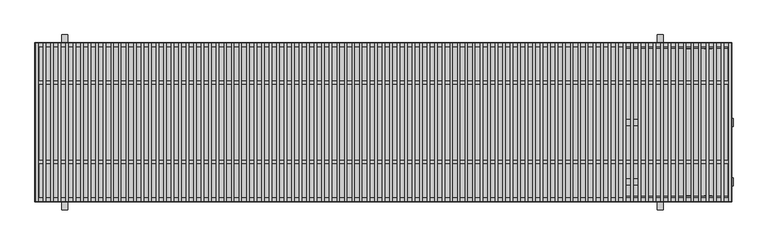
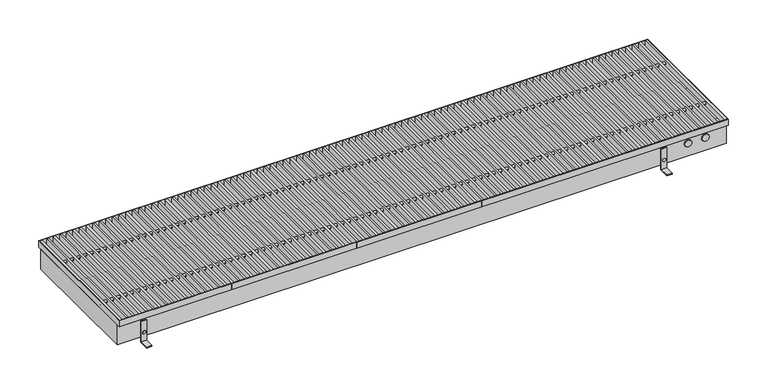
"""IFC4 building model written with IfcOpenShell, lengths in millimetres: proxy geometry."""

from ifc_helpers import new_model, si_unit, point, frame, frame_2d, origin, place, context, project, spatial, polyline, circle_curve, trimmed, segment, composite_curve, outline, extrude, faceted_brep, source, transform, mapped, element, save
from ifc_brep_helpers import plane_surface, revolved_surface, advanced_brep


def mechanical_equipment_ff3fa19a(model_context):
    return source(origin(), model_context, "Body", "SolidModel", [
        extrude(outline(polyline([(1723.0869565, 198.5), (1729.0869565, 198.5), (1729.0869565, -198.5), (1723.0869565, -198.5), (1723.0869565, 198.5)])), frame((0.0, 0.0, 77.0), z_axis=(0.0, 0.0, 1.0), x_axis=(1.0, 0.0, 0.0)), (0.0, 0.0, 1.0), 18.0),
        extrude(outline(polyline([(1704.173913, 198.5), (1710.173913, 198.5), (1710.173913, -198.5), (1704.173913, -198.5), (1704.173913, 198.5)])), frame((0.0, 0.0, 77.0), z_axis=(0.0, 0.0, 1.0), x_axis=(1.0, 0.0, 0.0)), (0.0, 0.0, 1.0), 18.0),
        extrude(outline(polyline([(1685.2608696, 198.5), (1691.2608696, 198.5), (1691.2608696, -198.5), (1685.2608696, -198.5), (1685.2608696, 198.5)])), frame((0.0, 0.0, 77.0), z_axis=(0.0, 0.0, 1.0), x_axis=(1.0, 0.0, 0.0)), (0.0, 0.0, 1.0), 18.0),
        extrude(outline(polyline([(1666.3478261, 198.5), (1672.3478261, 198.5), (1672.3478261, -198.5), (1666.3478261, -198.5), (1666.3478261, 198.5)])), frame((0.0, 0.0, 77.0), z_axis=(0.0, 0.0, 1.0), x_axis=(1.0, 0.0, 0.0)), (0.0, 0.0, 1.0), 18.0),
        extrude(outline(polyline([(1647.4347826, 198.5), (1653.4347826, 198.5), (1653.4347826, -198.5), (1647.4347826, -198.5), (1647.4347826, 198.5)])), frame((0.0, 0.0, 77.0), z_axis=(0.0, 0.0, 1.0), x_axis=(1.0, 0.0, 0.0)), (0.0, 0.0, 1.0), 18.0),
        extrude(outline(polyline([(1628.5217391, 198.5), (1634.5217391, 198.5), (1634.5217391, -198.5), (1628.5217391, -198.5), (1628.5217391, 198.5)])), frame((0.0, 0.0, 77.0), z_axis=(0.0, 0.0, 1.0), x_axis=(1.0, 0.0, 0.0)), (0.0, 0.0, 1.0), 18.0),
        extrude(outline(polyline([(1609.6086957, 198.5), (1615.6086957, 198.5), (1615.6086957, -198.5), (1609.6086957, -198.5), (1609.6086957, 198.5)])), frame((0.0, 0.0, 77.0), z_axis=(0.0, 0.0, 1.0), x_axis=(1.0, 0.0, 0.0)), (0.0, 0.0, 1.0), 18.0),
        extrude(outline(polyline([(1590.6956522, 198.5), (1596.6956522, 198.5), (1596.6956522, -198.5), (1590.6956522, -198.5), (1590.6956522, 198.5)])), frame((0.0, 0.0, 77.0), z_axis=(0.0, 0.0, 1.0), x_axis=(1.0, 0.0, 0.0)), (0.0, 0.0, 1.0), 18.0),
        extrude(outline(polyline([(1571.7826087, 198.5), (1577.7826087, 198.5), (1577.7826087, -198.5), (1571.7826087, -198.5), (1571.7826087, 198.5)])), frame((0.0, 0.0, 77.0), z_axis=(0.0, 0.0, 1.0), x_axis=(1.0, 0.0, 0.0)), (0.0, 0.0, 1.0), 18.0),
        extrude(outline(polyline([(1552.8695652, 198.5), (1558.8695652, 198.5), (1558.8695652, -198.5), (1552.8695652, -198.5), (1552.8695652, 198.5)])), frame((0.0, 0.0, 77.0), z_axis=(0.0, 0.0, 1.0), x_axis=(1.0, 0.0, 0.0)), (0.0, 0.0, 1.0), 18.0),
        extrude(outline(polyline([(1533.9565217, 198.5), (1539.9565217, 198.5), (1539.9565217, -198.5), (1533.9565217, -198.5), (1533.9565217, 198.5)])), frame((0.0, 0.0, 77.0), z_axis=(0.0, 0.0, 1.0), x_axis=(1.0, 0.0, 0.0)), (0.0, 0.0, 1.0), 18.0),
        extrude(outline(polyline([(1515.0434783, 198.5), (1521.0434783, 198.5), (1521.0434783, -198.5), (1515.0434783, -198.5), (1515.0434783, 198.5)])), frame((0.0, 0.0, 77.0), z_axis=(0.0, 0.0, 1.0), x_axis=(1.0, 0.0, 0.0)), (0.0, 0.0, 1.0), 18.0),
        extrude(outline(polyline([(1496.1304348, 198.5), (1502.1304348, 198.5), (1502.1304348, -198.5), (1496.1304348, -198.5), (1496.1304348, 198.5)])), frame((0.0, 0.0, 77.0), z_axis=(0.0, 0.0, 1.0), x_axis=(1.0, 0.0, 0.0)), (0.0, 0.0, 1.0), 18.0),
        extrude(outline(polyline([(1477.2173913, 198.5), (1483.2173913, 198.5), (1483.2173913, -198.5), (1477.2173913, -198.5), (1477.2173913, 198.5)])), frame((0.0, 0.0, 77.0), z_axis=(0.0, 0.0, 1.0), x_axis=(1.0, 0.0, 0.0)), (0.0, 0.0, 1.0), 18.0),
        extrude(outline(composite_curve([segment(trimmed(circle_curve(frame_2d((100.0, 86.0)), 4.0), [point((104.0, 86.0))], [point((96.0, 86.0))], False, "CARTESIAN"), True, "CONTINUOUS"), segment(trimmed(circle_curve(frame_2d((100.0, 86.0)), 4.0), [point((96.0, 86.0))], [point((104.0, 86.0))], False, "CARTESIAN"), True, "CONTINUOUS")], self_intersect=False)), frame((1.5, 0.0, 0.0), z_axis=(1.0, 0.0, 0.0), x_axis=(0.0, 1.0, 0.0)), (0.0, 0.0, 1.0), 1747.0),
        extrude(outline(composite_curve([segment(trimmed(circle_curve(frame_2d((-100.0, 86.0)), 4.0), [point((-96.0, 86.0))], [point((-104.0, 86.0))], False, "CARTESIAN"), True, "CONTINUOUS"), segment(trimmed(circle_curve(frame_2d((-100.0, 86.0)), 4.0), [point((-104.0, 86.0))], [point((-96.0, 86.0))], False, "CARTESIAN"), True, "CONTINUOUS")], self_intersect=False)), frame((1.5, 0.0, 0.0), z_axis=(1.0, 0.0, 0.0), x_axis=(0.0, 1.0, 0.0)), (0.0, 0.0, 1.0), 1747.0),
        extrude(outline(polyline([(1458.3043478, 198.5), (1464.3043478, 198.5), (1464.3043478, -198.5), (1458.3043478, -198.5), (1458.3043478, 198.5)])), frame((0.0, 0.0, 77.0), z_axis=(0.0, 0.0, 1.0), x_axis=(1.0, 0.0, 0.0)), (0.0, 0.0, 1.0), 18.0),
        extrude(outline(polyline([(1439.3913043, 198.5), (1445.3913043, 198.5), (1445.3913043, -198.5), (1439.3913043, -198.5), (1439.3913043, 198.5)])), frame((0.0, 0.0, 77.0), z_axis=(0.0, 0.0, 1.0), x_axis=(1.0, 0.0, 0.0)), (0.0, 0.0, 1.0), 18.0),
        extrude(outline(polyline([(1420.4782609, 198.5), (1426.4782609, 198.5), (1426.4782609, -198.5), (1420.4782609, -198.5), (1420.4782609, 198.5)])), frame((0.0, 0.0, 77.0), z_axis=(0.0, 0.0, 1.0), x_axis=(1.0, 0.0, 0.0)), (0.0, 0.0, 1.0), 18.0),
        extrude(outline(polyline([(1401.5652174, 198.5), (1407.5652174, 198.5), (1407.5652174, -198.5), (1401.5652174, -198.5), (1401.5652174, 198.5)])), frame((0.0, 0.0, 77.0), z_axis=(0.0, 0.0, 1.0), x_axis=(1.0, 0.0, 0.0)), (0.0, 0.0, 1.0), 18.0),
        extrude(outline(polyline([(1382.6521739, 198.5), (1388.6521739, 198.5), (1388.6521739, -198.5), (1382.6521739, -198.5), (1382.6521739, 198.5)])), frame((0.0, 0.0, 77.0), z_axis=(0.0, 0.0, 1.0), x_axis=(1.0, 0.0, 0.0)), (0.0, 0.0, 1.0), 18.0),
        extrude(outline(polyline([(1363.7391304, 198.5), (1369.7391304, 198.5), (1369.7391304, -198.5), (1363.7391304, -198.5), (1363.7391304, 198.5)])), frame((0.0, 0.0, 77.0), z_axis=(0.0, 0.0, 1.0), x_axis=(1.0, 0.0, 0.0)), (0.0, 0.0, 1.0), 18.0),
        extrude(outline(polyline([(1344.826087, 198.5), (1350.826087, 198.5), (1350.826087, -198.5), (1344.826087, -198.5), (1344.826087, 198.5)])), frame((0.0, 0.0, 77.0), z_axis=(0.0, 0.0, 1.0), x_axis=(1.0, 0.0, 0.0)), (0.0, 0.0, 1.0), 18.0),
        extrude(outline(polyline([(1325.9130435, 198.5), (1331.9130435, 198.5), (1331.9130435, -198.5), (1325.9130435, -198.5), (1325.9130435, 198.5)])), frame((0.0, 0.0, 77.0), z_axis=(0.0, 0.0, 1.0), x_axis=(1.0, 0.0, 0.0)), (0.0, 0.0, 1.0), 18.0),
        extrude(outline(polyline([(1307.0, 198.5), (1313.0, 198.5), (1313.0, -198.5), (1307.0, -198.5), (1307.0, 198.5)])), frame((0.0, 0.0, 77.0), z_axis=(0.0, 0.0, 1.0), x_axis=(1.0, 0.0, 0.0)), (0.0, 0.0, 1.0), 18.0),
        extrude(outline(polyline([(1288.0869565, 198.5), (1294.0869565, 198.5), (1294.0869565, -198.5), (1288.0869565, -198.5), (1288.0869565, 198.5)])), frame((0.0, 0.0, 77.0), z_axis=(0.0, 0.0, 1.0), x_axis=(1.0, 0.0, 0.0)), (0.0, 0.0, 1.0), 18.0),
        extrude(outline(polyline([(1269.173913, 198.5), (1275.173913, 198.5), (1275.173913, -198.5), (1269.173913, -198.5), (1269.173913, 198.5)])), frame((0.0, 0.0, 77.0), z_axis=(0.0, 0.0, 1.0), x_axis=(1.0, 0.0, 0.0)), (0.0, 0.0, 1.0), 18.0),
        extrude(outline(polyline([(1250.2608696, 198.5), (1256.2608696, 198.5), (1256.2608696, -198.5), (1250.2608696, -198.5), (1250.2608696, 198.5)])), frame((0.0, 0.0, 77.0), z_axis=(0.0, 0.0, 1.0), x_axis=(1.0, 0.0, 0.0)), (0.0, 0.0, 1.0), 18.0),
        extrude(outline(polyline([(1231.3478261, 198.5), (1237.3478261, 198.5), (1237.3478261, -198.5), (1231.3478261, -198.5), (1231.3478261, 198.5)])), frame((0.0, 0.0, 77.0), z_axis=(0.0, 0.0, 1.0), x_axis=(1.0, 0.0, 0.0)), (0.0, 0.0, 1.0), 18.0),
        extrude(outline(polyline([(1212.4347826, 198.5), (1218.4347826, 198.5), (1218.4347826, -198.5), (1212.4347826, -198.5), (1212.4347826, 198.5)])), frame((0.0, 0.0, 77.0), z_axis=(0.0, 0.0, 1.0), x_axis=(1.0, 0.0, 0.0)), (0.0, 0.0, 1.0), 18.0),
        extrude(outline(polyline([(1193.5217391, 198.5), (1199.5217391, 198.5), (1199.5217391, -198.5), (1193.5217391, -198.5), (1193.5217391, 198.5)])), frame((0.0, 0.0, 77.0), z_axis=(0.0, 0.0, 1.0), x_axis=(1.0, 0.0, 0.0)), (0.0, 0.0, 1.0), 18.0),
        extrude(outline(polyline([(1174.6086957, 198.5), (1180.6086957, 198.5), (1180.6086957, -198.5), (1174.6086957, -198.5), (1174.6086957, 198.5)])), frame((0.0, 0.0, 77.0), z_axis=(0.0, 0.0, 1.0), x_axis=(1.0, 0.0, 0.0)), (0.0, 0.0, 1.0), 18.0),
        extrude(outline(polyline([(1155.6956522, 198.5), (1161.6956522, 198.5), (1161.6956522, -198.5), (1155.6956522, -198.5), (1155.6956522, 198.5)])), frame((0.0, 0.0, 77.0), z_axis=(0.0, 0.0, 1.0), x_axis=(1.0, 0.0, 0.0)), (0.0, 0.0, 1.0), 18.0),
        extrude(outline(polyline([(1136.7826087, 198.5), (1142.7826087, 198.5), (1142.7826087, -198.5), (1136.7826087, -198.5), (1136.7826087, 198.5)])), frame((0.0, 0.0, 77.0), z_axis=(0.0, 0.0, 1.0), x_axis=(1.0, 0.0, 0.0)), (0.0, 0.0, 1.0), 18.0),
        extrude(outline(polyline([(1117.8695652, 198.5), (1123.8695652, 198.5), (1123.8695652, -198.5), (1117.8695652, -198.5), (1117.8695652, 198.5)])), frame((0.0, 0.0, 77.0), z_axis=(0.0, 0.0, 1.0), x_axis=(1.0, 0.0, 0.0)), (0.0, 0.0, 1.0), 18.0),
        extrude(outline(polyline([(1098.9565217, 198.5), (1104.9565217, 198.5), (1104.9565217, -198.5), (1098.9565217, -198.5), (1098.9565217, 198.5)])), frame((0.0, 0.0, 77.0), z_axis=(0.0, 0.0, 1.0), x_axis=(1.0, 0.0, 0.0)), (0.0, 0.0, 1.0), 18.0),
        extrude(outline(polyline([(1080.0434783, 198.5), (1086.0434783, 198.5), (1086.0434783, -198.5), (1080.0434783, -198.5), (1080.0434783, 198.5)])), frame((0.0, 0.0, 77.0), z_axis=(0.0, 0.0, 1.0), x_axis=(1.0, 0.0, 0.0)), (0.0, 0.0, 1.0), 18.0),
        extrude(outline(polyline([(1061.1304348, 198.5), (1067.1304348, 198.5), (1067.1304348, -198.5), (1061.1304348, -198.5), (1061.1304348, 198.5)])), frame((0.0, 0.0, 77.0), z_axis=(0.0, 0.0, 1.0), x_axis=(1.0, 0.0, 0.0)), (0.0, 0.0, 1.0), 18.0),
        extrude(outline(polyline([(1042.2173913, 198.5), (1048.2173913, 198.5), (1048.2173913, -198.5), (1042.2173913, -198.5), (1042.2173913, 198.5)])), frame((0.0, 0.0, 77.0), z_axis=(0.0, 0.0, 1.0), x_axis=(1.0, 0.0, 0.0)), (0.0, 0.0, 1.0), 18.0),
        extrude(outline(polyline([(1023.3043478, 198.5), (1029.3043478, 198.5), (1029.3043478, -198.5), (1023.3043478, -198.5), (1023.3043478, 198.5)])), frame((0.0, 0.0, 77.0), z_axis=(0.0, 0.0, 1.0), x_axis=(1.0, 0.0, 0.0)), (0.0, 0.0, 1.0), 18.0),
        extrude(outline(polyline([(1004.3913043, 198.5), (1010.3913043, 198.5), (1010.3913043, -198.5), (1004.3913043, -198.5), (1004.3913043, 198.5)])), frame((0.0, 0.0, 77.0), z_axis=(0.0, 0.0, 1.0), x_axis=(1.0, 0.0, 0.0)), (0.0, 0.0, 1.0), 18.0),
        extrude(outline(polyline([(985.4782609, 198.5), (991.4782609, 198.5), (991.4782609, -198.5), (985.4782609, -198.5), (985.4782609, 198.5)])), frame((0.0, 0.0, 77.0), z_axis=(0.0, 0.0, 1.0), x_axis=(1.0, 0.0, 0.0)), (0.0, 0.0, 1.0), 18.0),
        extrude(outline(polyline([(966.5652174, 198.5), (972.5652174, 198.5), (972.5652174, -198.5), (966.5652174, -198.5), (966.5652174, 198.5)])), frame((0.0, 0.0, 77.0), z_axis=(0.0, 0.0, 1.0), x_axis=(1.0, 0.0, 0.0)), (0.0, 0.0, 1.0), 18.0),
        extrude(outline(polyline([(947.6521739, 198.5), (953.6521739, 198.5), (953.6521739, -198.5), (947.6521739, -198.5), (947.6521739, 198.5)])), frame((0.0, 0.0, 77.0), z_axis=(0.0, 0.0, 1.0), x_axis=(1.0, 0.0, 0.0)), (0.0, 0.0, 1.0), 18.0),
        extrude(outline(polyline([(928.7391304, 198.5), (934.7391304, 198.5), (934.7391304, -198.5), (928.7391304, -198.5), (928.7391304, 198.5)])), frame((0.0, 0.0, 77.0), z_axis=(0.0, 0.0, 1.0), x_axis=(1.0, 0.0, 0.0)), (0.0, 0.0, 1.0), 18.0),
        extrude(outline(polyline([(909.826087, 198.5), (915.826087, 198.5), (915.826087, -198.5), (909.826087, -198.5), (909.826087, 198.5)])), frame((0.0, 0.0, 77.0), z_axis=(0.0, 0.0, 1.0), x_axis=(1.0, 0.0, 0.0)), (0.0, 0.0, 1.0), 18.0),
        extrude(outline(polyline([(890.9130435, 198.5), (896.9130435, 198.5), (896.9130435, -198.5), (890.9130435, -198.5), (890.9130435, 198.5)])), frame((0.0, 0.0, 77.0), z_axis=(0.0, 0.0, 1.0), x_axis=(1.0, 0.0, 0.0)), (0.0, 0.0, 1.0), 18.0),
        extrude(outline(polyline([(872.0, 198.5), (878.0, 198.5), (878.0, -198.5), (872.0, -198.5), (872.0, 198.5)])), frame((0.0, 0.0, 77.0), z_axis=(0.0, 0.0, 1.0), x_axis=(1.0, 0.0, 0.0)), (0.0, 0.0, 1.0), 18.0),
        extrude(outline(polyline([(853.0869565, 198.5), (859.0869565, 198.5), (859.0869565, -198.5), (853.0869565, -198.5), (853.0869565, 198.5)])), frame((0.0, 0.0, 77.0), z_axis=(0.0, 0.0, 1.0), x_axis=(1.0, 0.0, 0.0)), (0.0, 0.0, 1.0), 18.0),
        extrude(outline(polyline([(834.173913, 198.5), (840.173913, 198.5), (840.173913, -198.5), (834.173913, -198.5), (834.173913, 198.5)])), frame((0.0, 0.0, 77.0), z_axis=(0.0, 0.0, 1.0), x_axis=(1.0, 0.0, 0.0)), (0.0, 0.0, 1.0), 18.0),
        extrude(outline(polyline([(815.2608696, 198.5), (821.2608696, 198.5), (821.2608696, -198.5), (815.2608696, -198.5), (815.2608696, 198.5)])), frame((0.0, 0.0, 77.0), z_axis=(0.0, 0.0, 1.0), x_axis=(1.0, 0.0, 0.0)), (0.0, 0.0, 1.0), 18.0),
        extrude(outline(polyline([(796.3478261, 198.5), (802.3478261, 198.5), (802.3478261, -198.5), (796.3478261, -198.5), (796.3478261, 198.5)])), frame((0.0, 0.0, 77.0), z_axis=(0.0, 0.0, 1.0), x_axis=(1.0, 0.0, 0.0)), (0.0, 0.0, 1.0), 18.0),
        extrude(outline(polyline([(777.4347826, 198.5), (783.4347826, 198.5), (783.4347826, -198.5), (777.4347826, -198.5), (777.4347826, 198.5)])), frame((0.0, 0.0, 77.0), z_axis=(0.0, 0.0, 1.0), x_axis=(1.0, 0.0, 0.0)), (0.0, 0.0, 1.0), 18.0),
        extrude(outline(polyline([(758.5217391, 198.5), (764.5217391, 198.5), (764.5217391, -198.5), (758.5217391, -198.5), (758.5217391, 198.5)])), frame((0.0, 0.0, 77.0), z_axis=(0.0, 0.0, 1.0), x_axis=(1.0, 0.0, 0.0)), (0.0, 0.0, 1.0), 18.0),
        extrude(outline(polyline([(739.6086957, 198.5), (745.6086957, 198.5), (745.6086957, -198.5), (739.6086957, -198.5), (739.6086957, 198.5)])), frame((0.0, 0.0, 77.0), z_axis=(0.0, 0.0, 1.0), x_axis=(1.0, 0.0, 0.0)), (0.0, 0.0, 1.0), 18.0),
        extrude(outline(polyline([(720.6956522, 198.5), (726.6956522, 198.5), (726.6956522, -198.5), (720.6956522, -198.5), (720.6956522, 198.5)])), frame((0.0, 0.0, 77.0), z_axis=(0.0, 0.0, 1.0), x_axis=(1.0, 0.0, 0.0)), (0.0, 0.0, 1.0), 18.0),
        extrude(outline(polyline([(701.7826087, 198.5), (707.7826087, 198.5), (707.7826087, -198.5), (701.7826087, -198.5), (701.7826087, 198.5)])), frame((0.0, 0.0, 77.0), z_axis=(0.0, 0.0, 1.0), x_axis=(1.0, 0.0, 0.0)), (0.0, 0.0, 1.0), 18.0),
        extrude(outline(polyline([(682.8695652, 198.5), (688.8695652, 198.5), (688.8695652, -198.5), (682.8695652, -198.5), (682.8695652, 198.5)])), frame((0.0, 0.0, 77.0), z_axis=(0.0, 0.0, 1.0), x_axis=(1.0, 0.0, 0.0)), (0.0, 0.0, 1.0), 18.0),
        extrude(outline(polyline([(663.9565217, 198.5), (669.9565217, 198.5), (669.9565217, -198.5), (663.9565217, -198.5), (663.9565217, 198.5)])), frame((0.0, 0.0, 77.0), z_axis=(0.0, 0.0, 1.0), x_axis=(1.0, 0.0, 0.0)), (0.0, 0.0, 1.0), 18.0),
        extrude(outline(polyline([(645.0434783, 198.5), (651.0434783, 198.5), (651.0434783, -198.5), (645.0434783, -198.5), (645.0434783, 198.5)])), frame((0.0, 0.0, 77.0), z_axis=(0.0, 0.0, 1.0), x_axis=(1.0, 0.0, 0.0)), (0.0, 0.0, 1.0), 18.0),
        extrude(outline(polyline([(626.1304348, 198.5), (632.1304348, 198.5), (632.1304348, -198.5), (626.1304348, -198.5), (626.1304348, 198.5)])), frame((0.0, 0.0, 77.0), z_axis=(0.0, 0.0, 1.0), x_axis=(1.0, 0.0, 0.0)), (0.0, 0.0, 1.0), 18.0),
        extrude(outline(polyline([(607.2173913, 198.5), (613.2173913, 198.5), (613.2173913, -198.5), (607.2173913, -198.5), (607.2173913, 198.5)])), frame((0.0, 0.0, 77.0), z_axis=(0.0, 0.0, 1.0), x_axis=(1.0, 0.0, 0.0)), (0.0, 0.0, 1.0), 18.0),
        extrude(outline(polyline([(588.3043478, 198.5), (594.3043478, 198.5), (594.3043478, -198.5), (588.3043478, -198.5), (588.3043478, 198.5)])), frame((0.0, 0.0, 77.0), z_axis=(0.0, 0.0, 1.0), x_axis=(1.0, 0.0, 0.0)), (0.0, 0.0, 1.0), 18.0),
        extrude(outline(polyline([(569.3913043, 198.5), (575.3913043, 198.5), (575.3913043, -198.5), (569.3913043, -198.5), (569.3913043, 198.5)])), frame((0.0, 0.0, 77.0), z_axis=(0.0, 0.0, 1.0), x_axis=(1.0, 0.0, 0.0)), (0.0, 0.0, 1.0), 18.0),
        extrude(outline(polyline([(550.4782609, 198.5), (556.4782609, 198.5), (556.4782609, -198.5), (550.4782609, -198.5), (550.4782609, 198.5)])), frame((0.0, 0.0, 77.0), z_axis=(0.0, 0.0, 1.0), x_axis=(1.0, 0.0, 0.0)), (0.0, 0.0, 1.0), 18.0),
        extrude(outline(polyline([(531.5652174, 198.5), (537.5652174, 198.5), (537.5652174, -198.5), (531.5652174, -198.5), (531.5652174, 198.5)])), frame((0.0, 0.0, 77.0), z_axis=(0.0, 0.0, 1.0), x_axis=(1.0, 0.0, 0.0)), (0.0, 0.0, 1.0), 18.0),
        extrude(outline(polyline([(512.6521739, 198.5), (518.6521739, 198.5), (518.6521739, -198.5), (512.6521739, -198.5), (512.6521739, 198.5)])), frame((0.0, 0.0, 77.0), z_axis=(0.0, 0.0, 1.0), x_axis=(1.0, 0.0, 0.0)), (0.0, 0.0, 1.0), 18.0),
        extrude(outline(polyline([(493.7391304, 198.5), (499.7391304, 198.5), (499.7391304, -198.5), (493.7391304, -198.5), (493.7391304, 198.5)])), frame((0.0, 0.0, 77.0), z_axis=(0.0, 0.0, 1.0), x_axis=(1.0, 0.0, 0.0)), (0.0, 0.0, 1.0), 18.0),
        extrude(outline(polyline([(474.826087, 198.5), (480.826087, 198.5), (480.826087, -198.5), (474.826087, -198.5), (474.826087, 198.5)])), frame((0.0, 0.0, 77.0), z_axis=(0.0, 0.0, 1.0), x_axis=(1.0, 0.0, 0.0)), (0.0, 0.0, 1.0), 18.0),
        extrude(outline(polyline([(455.9130435, 198.5), (461.9130435, 198.5), (461.9130435, -198.5), (455.9130435, -198.5), (455.9130435, 198.5)])), frame((0.0, 0.0, 77.0), z_axis=(0.0, 0.0, 1.0), x_axis=(1.0, 0.0, 0.0)), (0.0, 0.0, 1.0), 18.0),
        extrude(outline(polyline([(437.0, 198.5), (443.0, 198.5), (443.0, -198.5), (437.0, -198.5), (437.0, 198.5)])), frame((0.0, 0.0, 77.0), z_axis=(0.0, 0.0, 1.0), x_axis=(1.0, 0.0, 0.0)), (0.0, 0.0, 1.0), 18.0),
        extrude(outline(polyline([(418.0869565, 198.5), (424.0869565, 198.5), (424.0869565, -198.5), (418.0869565, -198.5), (418.0869565, 198.5)])), frame((0.0, 0.0, 77.0), z_axis=(0.0, 0.0, 1.0), x_axis=(1.0, 0.0, 0.0)), (0.0, 0.0, 1.0), 18.0),
        extrude(outline(polyline([(399.173913, 198.5), (405.173913, 198.5), (405.173913, -198.5), (399.173913, -198.5), (399.173913, 198.5)])), frame((0.0, 0.0, 77.0), z_axis=(0.0, 0.0, 1.0), x_axis=(1.0, 0.0, 0.0)), (0.0, 0.0, 1.0), 18.0),
        extrude(outline(polyline([(380.2608696, 198.5), (386.2608696, 198.5), (386.2608696, -198.5), (380.2608696, -198.5), (380.2608696, 198.5)])), frame((0.0, 0.0, 77.0), z_axis=(0.0, 0.0, 1.0), x_axis=(1.0, 0.0, 0.0)), (0.0, 0.0, 1.0), 18.0),
        extrude(outline(polyline([(361.3478261, 198.5), (367.3478261, 198.5), (367.3478261, -198.5), (361.3478261, -198.5), (361.3478261, 198.5)])), frame((0.0, 0.0, 77.0), z_axis=(0.0, 0.0, 1.0), x_axis=(1.0, 0.0, 0.0)), (0.0, 0.0, 1.0), 18.0),
        extrude(outline(polyline([(342.4347826, 198.5), (348.4347826, 198.5), (348.4347826, -198.5), (342.4347826, -198.5), (342.4347826, 198.5)])), frame((0.0, 0.0, 77.0), z_axis=(0.0, 0.0, 1.0), x_axis=(1.0, 0.0, 0.0)), (0.0, 0.0, 1.0), 18.0),
        extrude(outline(polyline([(323.5217391, 198.5), (329.5217391, 198.5), (329.5217391, -198.5), (323.5217391, -198.5), (323.5217391, 198.5)])), frame((0.0, 0.0, 77.0), z_axis=(0.0, 0.0, 1.0), x_axis=(1.0, 0.0, 0.0)), (0.0, 0.0, 1.0), 18.0),
        extrude(outline(polyline([(304.6086957, 198.5), (310.6086957, 198.5), (310.6086957, -198.5), (304.6086957, -198.5), (304.6086957, 198.5)])), frame((0.0, 0.0, 77.0), z_axis=(0.0, 0.0, 1.0), x_axis=(1.0, 0.0, 0.0)), (0.0, 0.0, 1.0), 18.0),
        extrude(outline(polyline([(285.6956522, 198.5), (291.6956522, 198.5), (291.6956522, -198.5), (285.6956522, -198.5), (285.6956522, 198.5)])), frame((0.0, 0.0, 77.0), z_axis=(0.0, 0.0, 1.0), x_axis=(1.0, 0.0, 0.0)), (0.0, 0.0, 1.0), 18.0),
        extrude(outline(polyline([(266.7826087, 198.5), (272.7826087, 198.5), (272.7826087, -198.5), (266.7826087, -198.5), (266.7826087, 198.5)])), frame((0.0, 0.0, 77.0), z_axis=(0.0, 0.0, 1.0), x_axis=(1.0, 0.0, 0.0)), (0.0, 0.0, 1.0), 18.0),
        extrude(outline(polyline([(247.8695652, 198.5), (253.8695652, 198.5), (253.8695652, -198.5), (247.8695652, -198.5), (247.8695652, 198.5)])), frame((0.0, 0.0, 77.0), z_axis=(0.0, 0.0, 1.0), x_axis=(1.0, 0.0, 0.0)), (0.0, 0.0, 1.0), 18.0),
        extrude(outline(polyline([(228.9565217, 198.5), (234.9565217, 198.5), (234.9565217, -198.5), (228.9565217, -198.5), (228.9565217, 198.5)])), frame((0.0, 0.0, 77.0), z_axis=(0.0, 0.0, 1.0), x_axis=(1.0, 0.0, 0.0)), (0.0, 0.0, 1.0), 18.0),
        extrude(outline(polyline([(210.0434783, 198.5), (216.0434783, 198.5), (216.0434783, -198.5), (210.0434783, -198.5), (210.0434783, 198.5)])), frame((0.0, 0.0, 77.0), z_axis=(0.0, 0.0, 1.0), x_axis=(1.0, 0.0, 0.0)), (0.0, 0.0, 1.0), 18.0),
        extrude(outline(polyline([(191.1304348, 198.5), (197.1304348, 198.5), (197.1304348, -198.5), (191.1304348, -198.5), (191.1304348, 198.5)])), frame((0.0, 0.0, 77.0), z_axis=(0.0, 0.0, 1.0), x_axis=(1.0, 0.0, 0.0)), (0.0, 0.0, 1.0), 18.0),
        extrude(outline(polyline([(172.2173913, 198.5), (178.2173913, 198.5), (178.2173913, -198.5), (172.2173913, -198.5), (172.2173913, 198.5)])), frame((0.0, 0.0, 77.0), z_axis=(0.0, 0.0, 1.0), x_axis=(1.0, 0.0, 0.0)), (0.0, 0.0, 1.0), 18.0),
        extrude(outline(polyline([(153.3043478, 198.5), (159.3043478, 198.5), (159.3043478, -198.5), (153.3043478, -198.5), (153.3043478, 198.5)])), frame((0.0, 0.0, 77.0), z_axis=(0.0, 0.0, 1.0), x_axis=(1.0, 0.0, 0.0)), (0.0, 0.0, 1.0), 18.0),
        extrude(outline(polyline([(134.3913043, 198.5), (140.3913043, 198.5), (140.3913043, -198.5), (134.3913043, -198.5), (134.3913043, 198.5)])), frame((0.0, 0.0, 77.0), z_axis=(0.0, 0.0, 1.0), x_axis=(1.0, 0.0, 0.0)), (0.0, 0.0, 1.0), 18.0),
        extrude(outline(polyline([(115.4782609, 198.5), (121.4782609, 198.5), (121.4782609, -198.5), (115.4782609, -198.5), (115.4782609, 198.5)])), frame((0.0, 0.0, 77.0), z_axis=(0.0, 0.0, 1.0), x_axis=(1.0, 0.0, 0.0)), (0.0, 0.0, 1.0), 18.0),
        extrude(outline(polyline([(96.5652174, 198.5), (102.5652174, 198.5), (102.5652174, -198.5), (96.5652174, -198.5), (96.5652174, 198.5)])), frame((0.0, 0.0, 77.0), z_axis=(0.0, 0.0, 1.0), x_axis=(1.0, 0.0, 0.0)), (0.0, 0.0, 1.0), 18.0),
        extrude(outline(polyline([(77.6521739, 198.5), (83.6521739, 198.5), (83.6521739, -198.5), (77.6521739, -198.5), (77.6521739, 198.5)])), frame((0.0, 0.0, 77.0), z_axis=(0.0, 0.0, 1.0), x_axis=(1.0, 0.0, 0.0)), (0.0, 0.0, 1.0), 18.0),
        extrude(outline(polyline([(58.7391304, 198.5), (64.7391304, 198.5), (64.7391304, -198.5), (58.7391304, -198.5), (58.7391304, 198.5)])), frame((0.0, 0.0, 77.0), z_axis=(0.0, 0.0, 1.0), x_axis=(1.0, 0.0, 0.0)), (0.0, 0.0, 1.0), 18.0),
        extrude(outline(polyline([(39.826087, 198.5), (45.826087, 198.5), (45.826087, -198.5), (39.826087, -198.5), (39.826087, 198.5)])), frame((0.0, 0.0, 77.0), z_axis=(0.0, 0.0, 1.0), x_axis=(1.0, 0.0, 0.0)), (0.0, 0.0, 1.0), 18.0),
        extrude(outline(polyline([(20.9130435, 198.5), (26.9130435, 198.5), (26.9130435, -198.5), (20.9130435, -198.5), (20.9130435, 198.5)])), frame((0.0, 0.0, 77.0), z_axis=(0.0, 0.0, 1.0), x_axis=(1.0, 0.0, 0.0)), (0.0, 0.0, 1.0), 18.0),
        extrude(outline(polyline([(1742.0, 198.5), (1748.0, 198.5), (1748.0, -198.5), (1742.0, -198.5), (1742.0, 198.5)])), frame((0.0, 0.0, 77.0), z_axis=(0.0, 0.0, 1.0), x_axis=(1.0, 0.0, 0.0)), (0.0, 0.0, 1.0), 18.0),
        extrude(outline(polyline([(2.0, 198.5), (8.0, 198.5), (8.0, -198.5), (2.0, -198.5), (2.0, 198.5)])), frame((0.0, 0.0, 77.0), z_axis=(0.0, 0.0, 1.0), x_axis=(1.0, 0.0, 0.0)), (0.0, 0.0, 1.0), 18.0),
        faceted_brep([(1750.0, -200.0, 76.0071882), (1750.0, 200.0, 76.0071882), (1750.0, 200.0, 95.0), (1750.0, -200.0, 95.0), (1739.0225165, -189.0225165, 77.0), (1739.0225165, 189.0225165, 77.0), (1739.0225165, 189.0225165, 76.0071882), (1739.0225165, -189.0225165, 76.0071882), (1749.0, -199.0, 95.0), (1749.0, 199.0, 95.0), (1749.0, 199.0, 77.0), (1749.0, -199.0, 77.0), (0.0, 200.0, 76.0071882), (0.0, 200.0, 95.0), (10.9774835, 189.0225165, 77.0), (10.9774835, 189.0225165, 76.0071882), (1.0, 199.0, 95.0), (1.0, 199.0, 77.0), (0.0, -200.0, 76.0071882), (0.0, -200.0, 95.0), (10.9774835, -189.0225165, 77.0), (10.9774835, -189.0225165, 76.0071882), (1.0, -199.0, 95.0), (1.0, -199.0, 77.0)], [[[0, 1, 2, 3]], [[4, 5, 6, 7]], [[8, 9, 10, 11]], [[1, 12, 13, 2]], [[5, 14, 15, 6]], [[9, 16, 17, 10]], [[12, 18, 19, 13]], [[14, 20, 21, 15]], [[16, 22, 23, 17]], [[18, 0, 3, 19]], [[1, 0, 18, 12], [7, 6, 15, 21]], [[20, 4, 7, 21]], [[11, 10, 17, 23], [5, 4, 20, 14]], [[22, 8, 11, 23]], [[3, 2, 13, 19], [9, 8, 22, 16]]]),
        extrude(outline(polyline([(-220.0, 0.0), (-220.0, 3.0), (-193.0, 3.0), (-193.0, 65.0), (-190.0, 65.0), (-190.0, 0.0), (-220.0, 0.0)])), frame((1562.5, 0.0, 0.0), z_axis=(1.0, 0.0, 0.0), x_axis=(0.0, 1.0, 0.0)), (0.0, 0.0, 1.0), 15.0),
        extrude(outline(polyline([(32.5, 1565.669873), (27.5, 1565.669873), (25.0, 1570.0), (27.5, 1574.330127), (32.5, 1574.330127), (35.0, 1570.0), (32.5, 1565.669873)])), frame((0.0, -194.0863674, 0.0), z_axis=(0.0, 1.0, 0.0), x_axis=(0.0, 0.0, 1.0)), (0.0, 0.0, 1.0), 1.0863674),
        extrude(outline(polyline([(-220.0, 0.0), (-220.0, 3.0), (-193.0, 3.0), (-193.0, 65.0), (-190.0, 65.0), (-190.0, 0.0), (-220.0, 0.0)])), frame((67.5, 0.0, 0.0), z_axis=(1.0, 0.0, 0.0), x_axis=(0.0, 1.0, 0.0)), (0.0, 0.0, 1.0), 15.0),
        extrude(outline(polyline([(32.5, 70.669873), (27.5, 70.669873), (25.0, 75.0), (27.5, 79.330127), (32.5, 79.330127), (35.0, 75.0), (32.5, 70.669873)])), frame((0.0, -194.0863674, 0.0), z_axis=(0.0, 1.0, 0.0), x_axis=(0.0, 0.0, 1.0)), (0.0, 0.0, 1.0), 1.0863674),
        extrude(outline(polyline([(220.0, 0.0), (190.0, 0.0), (190.0, 65.0), (193.0, 65.0), (193.0, 3.0), (220.0, 3.0), (220.0, 0.0)])), frame((1562.5, 0.0, 0.0), z_axis=(1.0, 0.0, 0.0), x_axis=(0.0, 1.0, 0.0)), (0.0, 0.0, 1.0), 15.0),
        extrude(outline(polyline([(32.5, 1565.669873), (27.5, 1565.669873), (25.0, 1570.0), (27.5, 1574.330127), (32.5, 1574.330127), (35.0, 1570.0), (32.5, 1565.669873)])), frame((0.0, 193.0, 0.0), z_axis=(0.0, 1.0, 0.0), x_axis=(0.0, 0.0, 1.0)), (0.0, 0.0, 1.0), 1.0863674),
        extrude(outline(polyline([(220.0, 0.0), (190.0, 0.0), (190.0, 65.0), (193.0, 65.0), (193.0, 3.0), (220.0, 3.0), (220.0, 0.0)])), frame((67.5, 0.0, 0.0), z_axis=(1.0, 0.0, 0.0), x_axis=(0.0, 1.0, 0.0)), (0.0, 0.0, 1.0), 15.0),
        extrude(outline(polyline([(32.5, 70.669873), (27.5, 70.669873), (25.0, 75.0), (27.5, 79.330127), (32.5, 79.330127), (35.0, 75.0), (32.5, 70.669873)])), frame((0.0, 193.0, 0.0), z_axis=(0.0, 1.0, 0.0), x_axis=(0.0, 0.0, 1.0)), (0.0, 0.0, 1.0), 1.0863674),
        extrude(outline(composite_curve([segment(trimmed(circle_curve(frame_2d((-150.0, 55.0)), 10.0), [point((-140.0, 55.0))], [point((-160.0, 55.0))], False, "CARTESIAN"), True, "CONTINUOUS"), segment(trimmed(circle_curve(frame_2d((-150.0, 55.0)), 10.0), [point((-160.0, 55.0))], [point((-140.0, 55.0))], False, "CARTESIAN"), True, "CONTINUOUS")], self_intersect=False)), frame((1750.0, 0.0, 0.0), z_axis=(1.0, 0.0, 0.0), x_axis=(0.0, 1.0, 0.0)), (0.0, 0.0, 1.0), 3.0),
        extrude(outline(composite_curve([segment(trimmed(circle_curve(frame_2d((0.0, 55.0)), 10.0), [point((10.0, 55.0))], [point((-10.0, 55.0))], False, "CARTESIAN"), True, "CONTINUOUS"), segment(trimmed(circle_curve(frame_2d((0.0, 55.0)), 10.0), [point((-10.0, 55.0))], [point((10.0, 55.0))], False, "CARTESIAN"), True, "CONTINUOUS")], self_intersect=False)), frame((1750.0, 0.0, 0.0), z_axis=(1.0, 0.0, 0.0), x_axis=(0.0, 1.0, 0.0)), (0.0, 0.0, 1.0), 3.0),
        extrude(outline(composite_curve([segment(trimmed(circle_curve(frame_2d((55.0, 1640.0)), 10.0), [point((55.0, 1650.0))], [point((55.0, 1630.0))], False, "CARTESIAN"), True, "CONTINUOUS"), segment(trimmed(circle_curve(frame_2d((55.0, 1640.0)), 10.0), [point((55.0, 1630.0))], [point((55.0, 1650.0))], False, "CARTESIAN"), True, "CONTINUOUS")], self_intersect=False)), frame((0.0, -193.0, 0.0), z_axis=(0.0, 1.0, 0.0), x_axis=(0.0, 0.0, 1.0)), (0.0, 0.0, 1.0), 3.0),
        extrude(outline(composite_curve([segment(trimmed(circle_curve(frame_2d((55.0, 1690.0)), 10.0), [point((55.0, 1700.0))], [point((55.0, 1680.0))], False, "CARTESIAN"), True, "CONTINUOUS"), segment(trimmed(circle_curve(frame_2d((55.0, 1690.0)), 10.0), [point((55.0, 1680.0))], [point((55.0, 1700.0))], False, "CARTESIAN"), True, "CONTINUOUS")], self_intersect=False)), frame((0.0, -193.0, 0.0), z_axis=(0.0, 1.0, 0.0), x_axis=(0.0, 0.0, 1.0)), (0.0, 0.0, 1.0), 3.0),
        extrude(outline(composite_curve([segment(trimmed(circle_curve(frame_2d((0.0, 55.0)), 7.5), [point((7.5, 55.0))], [point((-7.5, 55.0))], False, "CARTESIAN"), True, "CONTINUOUS"), segment(trimmed(circle_curve(frame_2d((0.0, 55.0)), 7.5), [point((-7.5, 55.0))], [point((7.5, 55.0))], False, "CARTESIAN"), True, "CONTINUOUS")], self_intersect=False)), frame((1480.0, 0.0, 0.0), z_axis=(1.0, 0.0, 0.0), x_axis=(0.0, 1.0, 0.0)), (0.0, 0.0, 1.0), 40.0),
        extrude(outline(composite_curve([segment(trimmed(circle_curve(frame_2d((-150.0, 55.0)), 7.5), [point((-142.5, 55.0))], [point((-157.5, 55.0))], False, "CARTESIAN"), True, "CONTINUOUS"), segment(trimmed(circle_curve(frame_2d((-150.0, 55.0)), 7.5), [point((-157.5, 55.0))], [point((-142.5, 55.0))], False, "CARTESIAN"), True, "CONTINUOUS")], self_intersect=False)), frame((1480.0, 0.0, 0.0), z_axis=(1.0, 0.0, 0.0), x_axis=(0.0, 1.0, 0.0)), (0.0, 0.0, 1.0), 40.0),
        advanced_brep(
        [(1750.0, -190.0, 76.0), (0.0, -190.0, 76.0), (0.0, -190.0, 15.0), (1750.0, -190.0, 15.0), (1630.0, -190.0, 55.0), (1650.0, -190.0, 55.0), (1680.0, -190.0, 55.0), (1700.0, -190.0, 55.0), (1750.0, 190.0, 76.0), (1750.0, 190.0, 15.0), (0.0, 190.0, 15.0), (0.0, 190.0, 76.0), (1650.0, 190.0, 55.0), (1630.0, 190.0, 55.0), (1700.0, 190.0, 55.0), (1680.0, 190.0, 55.0), (1750.0, -10.0, 55.0), (1750.0, 10.0, 55.0), (1750.0, -160.0, 55.0), (1750.0, -140.0, 55.0), (1480.0, -185.0, 76.0), (1480.0, 185.0, 76.0), (1745.0, 185.0, 76.0), (1745.0, -185.0, 76.0), (1745.0, -185.0, 20.0), (1480.0, -185.0, 20.0), (1650.0, -185.0, 55.0), (1630.0, -185.0, 55.0), (1700.0, -185.0, 55.0), (1680.0, -185.0, 55.0), (1480.0, 185.0, 20.0), (1745.0, 185.0, 20.0), (1630.0, 185.0, 55.0), (1650.0, 185.0, 55.0), (1680.0, 185.0, 55.0), (1700.0, 185.0, 55.0), (1745.0, 10.0, 55.0), (1745.0, -10.0, 55.0), (1745.0, -140.0, 55.0), (1745.0, -160.0, 55.0)],
        [
            (0, 1),
            (1, 2),
            (2, 3),
            (3, 0),
            (4, 5, circle_curve(frame((1640.0, -190.0, 55.0), z_axis=(0.0, 1.0, 0.0), x_axis=(-1.0, 0.0, 0.0)), 10.0)),
            (5, 4, circle_curve(frame((1640.0, -190.0, 55.0), z_axis=(0.0, 1.0, 0.0), x_axis=(-1.0, 0.0, 0.0)), 10.0)),
            (6, 7, circle_curve(frame((1690.0, -190.0, 55.0), z_axis=(0.0, 1.0, 0.0), x_axis=(-1.0, 0.0, 0.0)), 10.0)),
            (7, 6, circle_curve(frame((1690.0, -190.0, 55.0), z_axis=(0.0, 1.0, 0.0), x_axis=(-1.0, 0.0, 0.0)), 10.0)),
            (8, 9),
            (9, 10),
            (10, 11),
            (11, 8),
            (12, 13, circle_curve(frame((1640.0, 190.0, 55.0), z_axis=(0.0, -1.0, 0.0), x_axis=(-1.0, 0.0, 0.0)), 10.0)),
            (13, 12, circle_curve(frame((1640.0, 190.0, 55.0), z_axis=(0.0, -1.0, 0.0), x_axis=(-1.0, 0.0, 0.0)), 10.0)),
            (14, 15, circle_curve(frame((1690.0, 190.0, 55.0), z_axis=(0.0, -1.0, 0.0), x_axis=(-1.0, 0.0, 0.0)), 10.0)),
            (15, 14, circle_curve(frame((1690.0, 190.0, 55.0), z_axis=(0.0, -1.0, 0.0), x_axis=(-1.0, 0.0, 0.0)), 10.0)),
            (3, 9),
            (8, 0),
            (16, 17, circle_curve(frame((1750.0, 0.0, 55.0), z_axis=(-1.0, 0.0, 0.0), x_axis=(0.0, -1.0, 0.0)), 10.0)),
            (17, 16, circle_curve(frame((1750.0, 0.0, 55.0), z_axis=(-1.0, 0.0, 0.0), x_axis=(0.0, -1.0, 0.0)), 10.0)),
            (18, 19, circle_curve(frame((1750.0, -150.0, 55.0), z_axis=(-1.0, 0.0, 0.0), x_axis=(0.0, -1.0, 0.0)), 10.0)),
            (19, 18, circle_curve(frame((1750.0, -150.0, 55.0), z_axis=(-1.0, 0.0, 0.0), x_axis=(0.0, -1.0, 0.0)), 10.0)),
            (2, 10),
            (1, 11),
            (20, 21),
            (21, 22),
            (22, 23),
            (23, 20),
            (23, 24),
            (24, 25),
            (25, 20),
            (26, 27, circle_curve(frame((1640.0, -185.0, 55.0), z_axis=(0.0, -1.0, 0.0), x_axis=(-1.0, 0.0, 0.0)), 10.0)),
            (27, 26, circle_curve(frame((1640.0, -185.0, 55.0), z_axis=(0.0, -1.0, 0.0), x_axis=(-1.0, 0.0, 0.0)), 10.0)),
            (28, 29, circle_curve(frame((1690.0, -185.0, 55.0), z_axis=(0.0, -1.0, 0.0), x_axis=(-1.0, 0.0, 0.0)), 10.0)),
            (29, 28, circle_curve(frame((1690.0, -185.0, 55.0), z_axis=(0.0, -1.0, 0.0), x_axis=(-1.0, 0.0, 0.0)), 10.0)),
            (21, 30),
            (30, 31),
            (31, 22),
            (32, 33, circle_curve(frame((1640.0, 185.0, 55.0), z_axis=(0.0, 1.0, 0.0), x_axis=(-1.0, 0.0, 0.0)), 10.0)),
            (33, 32, circle_curve(frame((1640.0, 185.0, 55.0), z_axis=(0.0, 1.0, 0.0), x_axis=(-1.0, 0.0, 0.0)), 10.0)),
            (34, 35, circle_curve(frame((1690.0, 185.0, 55.0), z_axis=(0.0, 1.0, 0.0), x_axis=(-1.0, 0.0, 0.0)), 10.0)),
            (35, 34, circle_curve(frame((1690.0, 185.0, 55.0), z_axis=(0.0, 1.0, 0.0), x_axis=(-1.0, 0.0, 0.0)), 10.0)),
            (31, 24),
            (36, 37, circle_curve(frame((1745.0, 0.0, 55.0), z_axis=(1.0, 0.0, 0.0), x_axis=(0.0, -1.0, 0.0)), 10.0)),
            (37, 36, circle_curve(frame((1745.0, 0.0, 55.0), z_axis=(1.0, 0.0, 0.0), x_axis=(0.0, -1.0, 0.0)), 10.0)),
            (38, 39, circle_curve(frame((1745.0, -150.0, 55.0), z_axis=(1.0, 0.0, 0.0), x_axis=(0.0, -1.0, 0.0)), 10.0)),
            (39, 38, circle_curve(frame((1745.0, -150.0, 55.0), z_axis=(1.0, 0.0, 0.0), x_axis=(0.0, -1.0, 0.0)), 10.0)),
            (30, 25),
            (13, 32),
            (33, 12),
            (27, 4),
            (5, 26),
            (15, 34),
            (35, 14),
            (29, 6),
            (7, 28),
            (37, 16),
            (17, 36),
            (39, 18),
            (19, 38),
        ],
        [
            plane_surface(frame((1750.0, -190.0, 76.0), z_axis=(0.0, -1.0, 0.0), x_axis=(0.0, 0.0, -1.0))),
            plane_surface(frame((1750.0, 190.0, 76.0), z_axis=(0.0, 1.0, 0.0), x_axis=(0.0, 0.0, 1.0))),
            plane_surface(frame((1750.0, -190.0, 76.0), z_axis=(1.0, 0.0, 0.0), x_axis=(0.0, 1.0, 0.0))),
            plane_surface(frame((1750.0, -190.0, 15.0), z_axis=(0.0, 0.0, -1.0), x_axis=(0.0, 1.0, 0.0))),
            plane_surface(frame((0.0, -190.0, 15.0), z_axis=(-1.0, 0.0, 0.0), x_axis=(0.0, 1.0, 0.0))),
            plane_surface(frame((0.0, -190.0, 76.0), z_axis=(0.0, 0.0, 1.0), x_axis=(0.0, 1.0, 0.0))),
            plane_surface(frame((1745.0, -185.0, 76.0), z_axis=(0.0, 1.0, 0.0), x_axis=(0.0, 0.0, -1.0))),
            plane_surface(frame((1745.0, 185.0, 76.0), z_axis=(0.0, -1.0, 0.0), x_axis=(0.0, 0.0, 1.0))),
            plane_surface(frame((1745.0, -185.0, 76.0), z_axis=(-1.0, 0.0, 0.0), x_axis=(0.0, 1.0, 0.0))),
            plane_surface(frame((1745.0, -185.0, 20.0), z_axis=(0.0, 0.0, 1.0), x_axis=(0.0, 1.0, 0.0))),
            plane_surface(frame((1480.0, -185.0, 20.0), z_axis=(1.0, 0.0, 0.0), x_axis=(0.0, 1.0, 0.0))),
            revolved_surface(polyline([(1630.0, 185.0, 55.0), (1630.0, 190.0, 55.0)]), (1640.0, 190.0, 55.0), (0.0, -1.0, 0.0)),
            revolved_surface(polyline([(1630.0, -190.0, 55.0), (1630.0, -185.0, 55.0)]), (1640.0, 190.0, 55.0), (0.0, -1.0, 0.0)),
            revolved_surface(polyline([(1680.0, 185.0, 55.0), (1680.0, 190.0, 55.0)]), (1690.0, 95.0, 55.0), (0.0, -1.0, 0.0)),
            revolved_surface(polyline([(1680.0, -190.0, 55.0), (1680.0, -185.0, 55.0)]), (1690.0, 95.0, 55.0), (0.0, -1.0, 0.0)),
            revolved_surface(polyline([(1750.0, -10.0, 55.0), (1745.0, -10.0, 55.0)]), (1690.0, 0.0, 55.0), (1.0, 0.0, 0.0)),
            revolved_surface(polyline([(1750.0, -160.0, 55.0), (1745.0, -160.0, 55.0)]), (0.0, -150.0, 55.0), (1.0, 0.0, 0.0)),
        ],
        [
            (0, [[1, 2, 3, 4], [5, 6], [7, 8]]),
            (1, [[9, 10, 11, 12], [13, 14], [15, 16]]),
            (2, [[17, -9, 18, -4], [19, 20], [21, 22]]),
            (3, [[23, -10, -17, -3]]),
            (4, [[24, -11, -23, -2]]),
            (5, [[-18, -12, -24, -1], [25, 26, 27, 28]]),
            (6, [[-28, 29, 30, 31], [32, 33], [34, 35]]),
            (7, [[-26, 36, 37, 38], [39, 40], [41, 42]]),
            (8, [[-27, -38, 43, -29], [44, 45], [46, 47]]),
            (9, [[-43, -37, 48, -30]]),
            (10, [[-48, -36, -25, -31]]),
            (11, [[-14, 49, -40, 50]]),
            (12, [[-33, 51, -6, 52]]),
            (12, [[-5, -51, -32, -52]]),
            (11, [[-39, -49, -13, -50]]),
            (13, [[-16, 53, -42, 54]]),
            (14, [[-35, 55, -8, 56]]),
            (14, [[-7, -55, -34, -56]]),
            (13, [[-41, -53, -15, -54]]),
            (15, [[-45, 57, -20, 58]]),
            (15, [[-19, -57, -44, -58]]),
            (16, [[-47, 59, -22, 60]]),
            (16, [[-21, -59, -46, -60]]),
        ],
    ),
    ])


if __name__ == "__main__":
    model = new_model("IFC4")
    model_context = context("Model", 3, world=origin())
    ifc_project = project(units=[si_unit("LENGTHUNIT", "METRE", prefix="MILLI")], contexts=[model_context])
    site = spatial("IfcSite", under=ifc_project)
    building = spatial("IfcBuilding", under=site)
    placement = place(None, origin())
    mechanical_equipment_shape = mechanical_equipment_ff3fa19a(model_context)
    element("IfcBuildingElementProxy", 1, Name="Mechanical Equipment", at=placement, inside=building, context=model_context, shape_type="MappedRepresentation", body=[
        mapped(mechanical_equipment_shape, transform((0.0, 0.0, 0.0), x_axis=(1.0, 0.0, 0.0), y_axis=(0.0, 1.0, 0.0), z_axis=(0.0, 0.0, 1.0))),
    ])
    save(model, "model.ifc")
